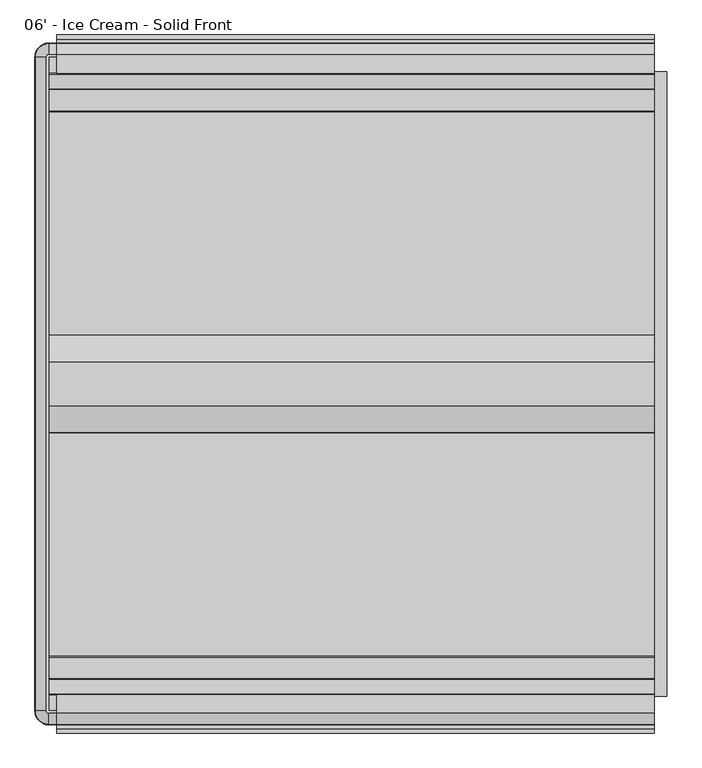
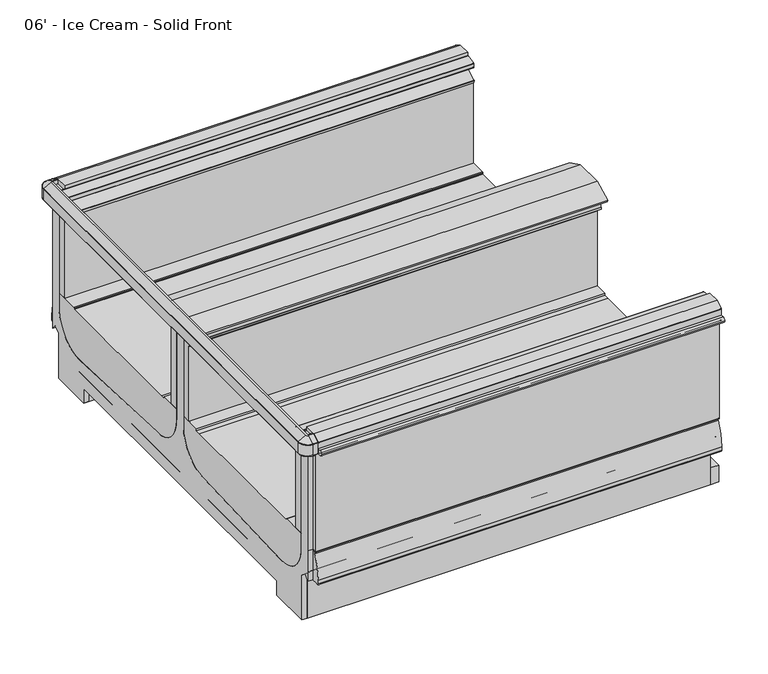
"""IFC4 building model written with IfcOpenShell, lengths in millimetres: proxy geometry, 06' - Ice Cream - Solid Front."""

from ifc_helpers import new_model, si_unit, point, frame, frame_2d, origin, origin_with_axes, place, context, project, spatial, polyline, circle_curve, ellipse_curve, trimmed, segment, composite_curve, outline, extrude, source, transform, mapped, element, save
from ifc_brep_helpers import plane_surface, cylinder_surface, revolved_surface, advanced_brep


def proxy_06_ice_cream_solid_front_5c60ced8(model_context):
    return source(origin(), model_context, "Body", "SolidModel", [
        extrude(outline(polyline([(-2377.8829734, 0.0), (-2409.6329734, 0.0), (-2409.6329734, 218.5762254), (-2377.8829734, 192.0044611), (-2377.8829734, 0.0)])), frame((0.0, 0.0, 0.0), z_axis=(1.0, 0.0, 0.0), x_axis=(0.0, 1.0, 0.0)), (0.0, 0.0, 1.0), 1828.8),
        extrude(outline(polyline([(1765.3, -582.4839273), (1541.6400723, -582.4839273), (1541.6400723, -531.6839273), (1765.3, -531.6839273), (1765.3, -582.4839273)])), frame((0.0, 0.0, -6.35), z_axis=(0.0, 0.0, 1.0), x_axis=(1.0, 0.0, 0.0)), (0.0, 0.0, 1.0), 6.35),
        extrude(outline(composite_curve([segment(trimmed(circle_curve(frame_2d((1625.6, -557.0839273)), 15.875), [point((1609.725, -557.0839273))], [point((1641.475, -557.0839273))], False, "CARTESIAN"), True, "CONTINUOUS"), segment(trimmed(circle_curve(frame_2d((1625.6, -557.0839273)), 15.875), [point((1641.475, -557.0839273))], [point((1609.725, -557.0839273))], False, "CARTESIAN"), True, "CONTINUOUS")], self_intersect=False)), frame((0.0, 0.0, -6.35), z_axis=(0.0, 0.0, 1.0), x_axis=(1.0, 0.0, 0.0)), (0.0, 0.0, 1.0), 6.35),
        extrude(outline(composite_curve([segment(trimmed(circle_curve(frame_2d((1676.4, -557.0839273)), 15.875), [point((1660.525, -557.0839273))], [point((1692.275, -557.0839273))], False, "CARTESIAN"), True, "CONTINUOUS"), segment(trimmed(circle_curve(frame_2d((1676.4, -557.0839273)), 15.875), [point((1692.275, -557.0839273))], [point((1660.525, -557.0839273))], False, "CARTESIAN"), True, "CONTINUOUS")], self_intersect=False)), frame((0.0, 0.0, -6.35), z_axis=(0.0, 0.0, 1.0), x_axis=(1.0, 0.0, 0.0)), (0.0, 0.0, 1.0), 6.35),
        extrude(outline(composite_curve([segment(trimmed(circle_curve(frame_2d((1727.2, -557.0839273)), 15.875), [point((1711.325, -557.0839273))], [point((1743.075, -557.0839273))], False, "CARTESIAN"), True, "CONTINUOUS"), segment(trimmed(circle_curve(frame_2d((1727.2, -557.0839273)), 15.875), [point((1743.075, -557.0839273))], [point((1711.325, -557.0839273))], False, "CARTESIAN"), True, "CONTINUOUS")], self_intersect=False)), frame((0.0, 0.0, -6.35), z_axis=(0.0, 0.0, 1.0), x_axis=(1.0, 0.0, 0.0)), (0.0, 0.0, 1.0), 6.35),
        extrude(outline(composite_curve([segment(trimmed(circle_curve(frame_2d((1574.8, -557.0839273)), 15.875), [point((1558.925, -557.0839273))], [point((1590.675, -557.0839273))], False, "CARTESIAN"), True, "CONTINUOUS"), segment(trimmed(circle_curve(frame_2d((1574.8, -557.0839273)), 15.875), [point((1590.675, -557.0839273))], [point((1558.925, -557.0839273))], False, "CARTESIAN"), True, "CONTINUOUS")], self_intersect=False)), frame((0.0, 0.0, -6.35), z_axis=(0.0, 0.0, 1.0), x_axis=(1.0, 0.0, 0.0)), (0.0, 0.0, 1.0), 6.35),
        extrude(outline(composite_curve([segment(trimmed(circle_curve(frame_2d((203.2, -2350.9589273)), 15.875), [point((219.075, -2350.9589273))], [point((187.325, -2350.9589273))], False, "CARTESIAN"), True, "CONTINUOUS"), segment(trimmed(circle_curve(frame_2d((203.2, -2350.9589273)), 15.875), [point((187.325, -2350.9589273))], [point((219.075, -2350.9589273))], False, "CARTESIAN"), True, "CONTINUOUS")], self_intersect=False)), frame((0.0, 0.0, -6.35), z_axis=(0.0, 0.0, 1.0), x_axis=(1.0, 0.0, 0.0)), (0.0, 0.0, 1.0), 6.35),
        extrude(outline(composite_curve([segment(trimmed(circle_curve(frame_2d((152.4, -2350.9589273)), 15.875), [point((168.275, -2350.9589273))], [point((136.525, -2350.9589273))], False, "CARTESIAN"), True, "CONTINUOUS"), segment(trimmed(circle_curve(frame_2d((152.4, -2350.9589273)), 15.875), [point((136.525, -2350.9589273))], [point((168.275, -2350.9589273))], False, "CARTESIAN"), True, "CONTINUOUS")], self_intersect=False)), frame((0.0, 0.0, -6.35), z_axis=(0.0, 0.0, 1.0), x_axis=(1.0, 0.0, 0.0)), (0.0, 0.0, 1.0), 6.35),
        extrude(outline(composite_curve([segment(trimmed(circle_curve(frame_2d((254.0, -2350.9589273)), 15.875), [point((269.875, -2350.9589273))], [point((238.125, -2350.9589273))], False, "CARTESIAN"), True, "CONTINUOUS"), segment(trimmed(circle_curve(frame_2d((254.0, -2350.9589273)), 15.875), [point((238.125, -2350.9589273))], [point((269.875, -2350.9589273))], False, "CARTESIAN"), True, "CONTINUOUS")], self_intersect=False)), frame((0.0, 0.0, -6.35), z_axis=(0.0, 0.0, 1.0), x_axis=(1.0, 0.0, 0.0)), (0.0, 0.0, 1.0), 6.35),
        extrude(outline(composite_curve([segment(trimmed(circle_curve(frame_2d((101.6, -2350.9589273)), 15.875), [point((117.475, -2350.9589273))], [point((85.725, -2350.9589273))], False, "CARTESIAN"), True, "CONTINUOUS"), segment(trimmed(circle_curve(frame_2d((101.6, -2350.9589273)), 15.875), [point((85.725, -2350.9589273))], [point((117.475, -2350.9589273))], False, "CARTESIAN"), True, "CONTINUOUS")], self_intersect=False)), frame((0.0, 0.0, -6.35), z_axis=(0.0, 0.0, 1.0), x_axis=(1.0, 0.0, 0.0)), (0.0, 0.0, 1.0), 6.35),
        extrude(outline(polyline([(69.85, -2325.5589273), (289.1439539, -2325.5589273), (289.1439539, -2376.3589273), (69.85, -2376.3589273), (69.85, -2325.5589273)])), frame((0.0, 0.0, -6.35), z_axis=(0.0, 0.0, 1.0), x_axis=(1.0, 0.0, 0.0)), (0.0, 0.0, 1.0), 6.35),
        extrude(outline(composite_curve([segment(polyline([(-445.8191812, 916.3995638), (-411.9355812, 896.8368583)]), True, "CONTINUOUS"), segment(trimmed(circle_curve(frame_2d((-412.9769812, 895.0331005)), 2.0828), [point((-411.9355812, 896.8368583))], [point((-410.8941812, 895.0331005))], False, "CARTESIAN"), True, "CONTINUOUS"), segment(polyline([(-410.8941812, 895.0331005), (-410.8941812, 842.2823638)]), True, "CONTINUOUS"), segment(trimmed(circle_curve(frame_2d((-412.9769812, 842.2823638)), 2.0828), [point((-410.8941812, 842.2823638))], [point((-412.9769812, 840.1995638))], False, "CARTESIAN"), True, "CONTINUOUS"), segment(polyline([(-412.9769812, 840.1995638), (-453.2686576, 840.1995638), (-453.2686576, 896.9698692), (-502.6537801, 896.9698692), (-502.6537801, 916.3995638), (-445.8191812, 916.3995638)]), True, "CONTINUOUS")], self_intersect=False)), frame((0.0, 0.0, 0.0), z_axis=(1.0, 0.0, 0.0), x_axis=(0.0, 1.0, 0.0)), (0.0, 0.0, 1.0), 1828.8),
        extrude(outline(composite_curve([segment(polyline([(-2462.2236734, 916.3995638), (-2405.3883698, 916.3995638), (-2405.3883698, 896.9698692), (-2454.774197, 896.9698692), (-2454.774197, 840.1995638), (-2495.0658734, 840.1995638)]), True, "CONTINUOUS"), segment(trimmed(circle_curve(frame_2d((-2495.0658734, 842.2823638)), 2.0828), [point((-2495.0658734, 840.1995638))], [point((-2497.1486734, 842.2823638))], False, "CARTESIAN"), True, "CONTINUOUS"), segment(polyline([(-2497.1486734, 842.2823638), (-2497.1486734, 895.0331005)]), True, "CONTINUOUS"), segment(trimmed(circle_curve(frame_2d((-2495.0658734, 895.0331005)), 2.0828), [point((-2497.1486734, 895.0331005))], [point((-2496.1072734, 896.8368583))], False, "CARTESIAN"), True, "CONTINUOUS"), segment(polyline([(-2496.1072734, 896.8368583), (-2462.2236734, 916.3995638)]), True, "CONTINUOUS")], self_intersect=False)), frame((0.0, 0.0, 0.0), z_axis=(1.0, 0.0, 0.0), x_axis=(0.0, 1.0, 0.0)), (0.0, 0.0, 1.0), 1828.8),
        extrude(outline(polyline([(1866.9, -498.4098812), (1866.9, -2409.6329734), (1828.8, -2409.6329734), (1828.8, -498.4098812), (1866.9, -498.4098812)])), origin_with_axes(), (0.0, 0.0, 1.0), 80.0346764),
        extrude(outline(composite_curve([segment(polyline([(-2454.774197, 212.6925638), (-2484.436449, 212.6925638), (-2484.436449, 210.1525638), (-2489.3644531, 210.1525638)]), True, "CONTINUOUS"), segment(trimmed(circle_curve(frame_2d((-2489.3644531, 218.3404259)), 8.1878621), [point((-2489.3644531, 210.1525638))], [point((-2497.5523152, 218.3404259))], False, "CARTESIAN"), True, "CONTINUOUS"), segment(polyline([(-2497.5523152, 218.3404259), (-2497.5523152, 235.3283913)]), True, "CONTINUOUS"), segment(trimmed(circle_curve(frame_2d((-2218.2798369, 226.8878416)), 279.4), [point((-2497.5523152, 235.3283913))], [point((-2470.719945, 346.6306987))], False, "CARTESIAN"), True, "CONTINUOUS"), segment(trimmed(circle_curve(frame_2d((-2459.2453946, 341.1878416)), 12.7), [point((-2470.719945, 346.6306987))], [point((-2459.036449, 353.8861226))], False, "CARTESIAN"), True, "CONTINUOUS"), segment(polyline([(-2459.036449, 353.8861226), (-2459.036449, 358.1075638), (-2454.774197, 358.1075638), (-2454.774197, 212.6925638)]), True, "CONTINUOUS")], self_intersect=False)), frame((0.0, 0.0, 0.0), z_axis=(1.0, 0.0, 0.0), x_axis=(0.0, 1.0, 0.0)), (0.0, 0.0, 1.0), 1828.8),
        extrude(outline(composite_curve([segment(polyline([(-453.2686576, 212.6925638), (-453.2686576, 358.1075638), (-449.0064056, 358.1075638), (-449.0064056, 353.8878416), (-439.8158479, 353.8878416)]), True, "CONTINUOUS"), segment(trimmed(circle_curve(frame_2d((-439.8158479, 341.1878416)), 12.7), [point((-439.8158479, 353.8878416))], [point((-428.3412975, 346.6306987))], False, "CARTESIAN"), True, "CONTINUOUS"), segment(trimmed(circle_curve(frame_2d((-680.7814056, 226.8878416)), 279.4), [point((-428.3412975, 346.6306987))], [point((-401.5089273, 235.3283913))], False, "CARTESIAN"), True, "CONTINUOUS"), segment(polyline([(-401.5089273, 235.3283913), (-401.5089273, 218.3404259)]), True, "CONTINUOUS"), segment(trimmed(circle_curve(frame_2d((-409.6967894, 218.3404259)), 8.1878621), [point((-401.5089273, 218.3404259))], [point((-409.6967894, 210.1525638))], False, "CARTESIAN"), True, "CONTINUOUS"), segment(polyline([(-409.6967894, 210.1525638), (-423.6064056, 210.1525638), (-423.6064056, 212.6925638), (-453.2686576, 212.6925638)]), True, "CONTINUOUS")], self_intersect=False)), frame((0.0, 0.0, 0.0), z_axis=(1.0, 0.0, 0.0), x_axis=(0.0, 1.0, 0.0)), (0.0, 0.0, 1.0), 1828.8),
        advanced_brep(
        [(-24.4402697, -2454.774197, 897.0258043), (-24.4402697, -2405.4351648, 897.0258043), (-24.4402697, -2405.4351648, 329.8307252), (-24.4402697, -2245.5061532, 189.514106), (-24.4402697, -1631.4536419, 211.922149), (-24.4402697, -1480.7855206, 364.3123081), (-24.4402697, -1480.7848159, 866.4774073), (-24.4402697, -1427.2580387, 866.4774073), (-24.4402697, -1427.2580387, 364.3123081), (-24.4402697, -1276.5892127, 211.922149), (-24.4402697, -662.5367014, 189.514106), (-24.4402697, -502.6076898, 329.8307252), (-24.4402697, -502.6076898, 413.6025156), (-24.4402697, -502.6076898, 897.0258043), (-24.4402697, -453.2686576, 897.0258043), (-24.4402697, -453.2686576, 358.1075638), (-24.4402697, -453.2686576, 212.7617767), (-24.4402697, -472.9537484, 236.2215544), (-24.4402697, -498.4098812, 214.8613228), (-24.4402697, -498.4098812, 0.0), (-24.4402697, -694.8002747, 0.0), (-24.4402697, -694.8001069, 67.8833987), (-24.4402697, -1454.0214273, 67.8834387), (-24.4402697, -2213.2427477, 67.8833987), (-24.4402697, -2213.2425799, 0.0), (-24.4402697, -2409.6329734, 0.0), (-24.4402697, -2409.6329734, 214.8613228), (-24.4402697, -2435.0891062, 236.2215544), (-24.4402697, -2454.774197, 212.7617767), (-24.4402697, -2454.774197, 358.1075638), (0.0, -2454.774197, 897.0258043), (0.0, -2454.774197, 358.1075638), (0.0, -2454.774197, 212.7617767), (0.0, -2435.0891062, 236.2215544), (0.0, -2409.6329734, 214.8613228), (0.0, -2409.6329734, 0.0), (0.0, -2213.2425799, 0.0), (0.0, -2213.2427477, 67.8833987), (0.0, -1454.0214273, 67.8834387), (0.0, -694.8001069, 67.8833987), (0.0, -694.8002747, 0.0), (0.0, -498.4098812, 0.0), (0.0, -498.4098812, 214.8613228), (0.0, -472.9537484, 236.2215544), (0.0, -453.2686576, 212.7617767), (0.0, -453.2686576, 358.1075638), (0.0, -453.2686576, 897.0258043), (0.0, -502.6076898, 897.0258043), (0.0, -502.6076898, 413.6025156), (0.0, -502.6076898, 329.8307252), (0.0, -662.5367014, 189.514106), (0.0, -1276.5892127, 211.922149), (0.0, -1427.257334, 364.3123081), (0.0, -1427.2580387, 866.4774073), (0.0, -1480.7848159, 866.4774073), (0.0, -1480.7848159, 364.3123081), (0.0, -1631.4536419, 211.922149), (0.0, -2245.5061532, 189.514106), (0.0, -2405.4351648, 329.8307252), (0.0, -2405.4351648, 897.0258043)],
        [
            (0, 1),
            (1, 2),
            (2, 3, circle_curve(frame((-24.4402697, -2254.7995855, 340.2213556), z_axis=(1.0, 0.0, 0.0), x_axis=(0.0, 1.0, 0.0)), 150.9935196)),
            (3, 4, circle_curve(frame((-24.4402697, -1492.4045203, -12023.1831731), z_axis=(-1.0, 0.0, 0.0), x_axis=(0.0, 1.0, 0.0)), 12235.8954271)),
            (4, 5, circle_curve(frame((-24.4402697, -1633.1855206, 364.3123081), z_axis=(1.0, 0.0, 0.0), x_axis=(0.0, 1.0, 0.0)), 152.4)),
            (5, 6),
            (6, 7),
            (7, 8),
            (8, 9, circle_curve(frame((-24.4402697, -1274.857334, 364.3123081), z_axis=(1.0, 0.0, 0.0), x_axis=(0.0, 1.0, 0.0)), 152.4)),
            (9, 10, circle_curve(frame((-24.4402697, -1415.6383343, -12023.1831731), z_axis=(-1.0, 0.0, 0.0), x_axis=(0.0, 1.0, 0.0)), 12235.8954271)),
            (10, 11, circle_curve(frame((-24.4402697, -653.2432691, 340.2213556), z_axis=(1.0, 0.0, 0.0), x_axis=(0.0, 1.0, 0.0)), 150.9935196)),
            (11, 12),
            (12, 13),
            (13, 14),
            (14, 15),
            (15, 16),
            (16, 17),
            (17, 18),
            (18, 19),
            (19, 20),
            (20, 21),
            (21, 22),
            (22, 23),
            (23, 24),
            (24, 25),
            (25, 26),
            (26, 27),
            (27, 28),
            (28, 29),
            (29, 0),
            (30, 31),
            (31, 32),
            (32, 33),
            (33, 34),
            (34, 35),
            (35, 36),
            (36, 37),
            (37, 38),
            (38, 39),
            (39, 40),
            (40, 41),
            (41, 42),
            (42, 43),
            (43, 44),
            (44, 45),
            (45, 46),
            (46, 47),
            (47, 48),
            (48, 49),
            (49, 50, circle_curve(frame((0.0, -653.2432691, 340.2213556), z_axis=(-1.0, 0.0, 0.0), x_axis=(0.0, 1.0, 0.0)), 150.9935196)),
            (50, 51, circle_curve(frame((0.0, -1415.6383343, -12023.1831731), z_axis=(1.0, 0.0, 0.0), x_axis=(0.0, 1.0, 0.0)), 12235.8954271)),
            (51, 52, circle_curve(frame((0.0, -1274.857334, 364.3123081), z_axis=(-1.0, 0.0, 0.0), x_axis=(0.0, 1.0, 0.0)), 152.4)),
            (52, 53),
            (53, 54),
            (54, 55),
            (55, 56, circle_curve(frame((0.0, -1633.1855206, 364.3123081), z_axis=(-1.0, 0.0, 0.0), x_axis=(0.0, 1.0, 0.0)), 152.4)),
            (56, 57, circle_curve(frame((0.0, -1492.4045203, -12023.1831731), z_axis=(1.0, 0.0, 0.0), x_axis=(0.0, 1.0, 0.0)), 12235.8954271)),
            (57, 58, circle_curve(frame((0.0, -2254.7995855, 340.2213556), z_axis=(-1.0, 0.0, 0.0), x_axis=(0.0, 1.0, 0.0)), 150.9935196)),
            (58, 59),
            (59, 30),
            (59, 1),
            (0, 30),
            (29, 31),
            (28, 32),
            (45, 15),
            (14, 46),
            (13, 47),
            (42, 18),
            (17, 43),
            (16, 44),
            (27, 33),
            (26, 34),
            (12, 48),
            (11, 49),
            (10, 50),
            (9, 51),
            (8, 52),
            (7, 53),
            (6, 54),
            (5, 55),
            (4, 56),
            (3, 57),
            (2, 58),
            (25, 35),
            (24, 36),
            (23, 37),
            (22, 38),
            (21, 39),
            (20, 40),
            (19, 41),
        ],
        [
            plane_surface(frame((-24.4402697, -2454.774197, 358.1075638), z_axis=(-1.0, 0.0, 0.0), x_axis=(0.0, 0.0, 1.0))),
            plane_surface(frame((0.0, -2454.774197, 358.1075638), z_axis=(1.0, 0.0, 0.0), x_axis=(0.0, 0.0, -1.0))),
            plane_surface(frame((0.0, -2405.4351648, 897.0258043), z_axis=(0.0, 0.0, 1.0), x_axis=(-1.0, 0.0, 0.0))),
            plane_surface(frame((0.0, -2454.774197, 897.0258043), z_axis=(0.0, -1.0, 0.0), x_axis=(-1.0, 0.0, 0.0))),
            plane_surface(frame((0.0, -2454.774197, 358.1075638), z_axis=(0.0, -1.0, 0.0), x_axis=(-1.0, 0.0, 0.0))),
            plane_surface(frame((0.0, -453.2686576, 358.1075638), z_axis=(0.0, 1.0, 0.0), x_axis=(-1.0, 0.0, 0.0))),
            plane_surface(frame((0.0, -453.2686576, 897.0258043), z_axis=(0.0, 0.0, 1.0), x_axis=(-1.0, 0.0, 0.0))),
            plane_surface(frame((0.0, -498.4098812, 214.8613228), z_axis=(0.0, 0.6427876097064538, -0.7660444431022678), x_axis=(-1.0, 0.0, 0.0))),
            plane_surface(frame((0.0, -472.9537484, 236.2215544), z_axis=(0.0, -0.7660444431084633, -0.6427876096990705), x_axis=(-1.0, 0.0, 0.0))),
            plane_surface(frame((0.0, -453.2686576, 212.7617767), z_axis=(0.0, 1.0, 3.1216682375061996e-12), x_axis=(-1.0, 0.0, 0.0))),
            plane_surface(frame((0.0, -2454.774197, 212.7617767), z_axis=(0.0, 0.7660444431333294, -0.6427876096694362), x_axis=(-1.0, 0.0, 0.0))),
            plane_surface(frame((0.0, -2435.0891062, 236.2215544), z_axis=(0.0, -0.6427876097190367, -0.7660444430917096), x_axis=(-1.0, 0.0, 0.0))),
            plane_surface(frame((0.0, -502.6076898, 897.0258043), z_axis=(0.0, -1.0, 0.0), x_axis=(-1.0, 0.0, 0.0))),
            plane_surface(frame((0.0, -502.6076898, 413.6025156), z_axis=(0.0, -1.0, 0.0), x_axis=(-1.0, 0.0, 0.0))),
            revolved_surface(polyline([(-24.4402697, -502.2497495, 340.2213556), (0.0, -502.2497495, 340.2213556)]), (-24.4402697, -653.2432691, 340.2213556), (-1.0, 0.0, 0.0)),
            cylinder_surface(frame((-24.4402697, -1415.6383343, -12023.1831731), z_axis=(1.0, 0.0, 0.0), x_axis=(0.0, 1.0, 0.0)), 12235.8954271),
            revolved_surface(polyline([(-24.4402697, -1122.457334, 364.3123081), (0.0, -1122.457334, 364.3123081)]), (-24.4402697, -1274.857334, 364.3123081), (-1.0, 0.0, 0.0)),
            plane_surface(frame((0.0, -1427.2580387, 364.3123081), z_axis=(0.0, 1.0, 0.0), x_axis=(-1.0, 0.0, 0.0))),
            plane_surface(frame((0.0, -1427.2580387, 866.4774073), z_axis=(0.0, 0.0, 1.0), x_axis=(-1.0, 0.0, 0.0))),
            plane_surface(frame((0.0, -1480.7848159, 866.4774073), z_axis=(0.0, -1.0, 0.0), x_axis=(-1.0, 0.0, 0.0))),
            revolved_surface(polyline([(-24.4402697, -1480.7855206, 364.3123081), (0.0, -1480.7855206, 364.3123081)]), (-24.4402697, -1633.1855206, 364.3123081), (-1.0, 0.0, 0.0)),
            cylinder_surface(frame((-24.4402697, -1492.4045203, -12023.1831731), z_axis=(1.0, 0.0, 0.0), x_axis=(0.0, 1.0, 0.0)), 12235.8954271),
            revolved_surface(polyline([(-24.4402697, -2103.8060659, 340.2213556), (0.0, -2103.8060659, 340.2213556)]), (-24.4402697, -2254.7995855, 340.2213556), (-1.0, 0.0, 0.0)),
            plane_surface(frame((0.0, -2405.4351648, 329.8307252), z_axis=(0.0, 1.0, 0.0), x_axis=(-1.0, 0.0, 0.0))),
            plane_surface(frame((0.0, -2409.6329734, 214.8613228), z_axis=(0.0, -1.0, 0.0), x_axis=(-1.0, 0.0, 0.0))),
            plane_surface(frame((0.0, -2409.6329734, 0.0), z_axis=(0.0, 0.0, -1.0), x_axis=(-1.0, 0.0, 0.0))),
            plane_surface(frame((0.0, -2213.2425799, 0.0), z_axis=(0.0, 0.9999999999969436, 2.472444991820878e-06), x_axis=(-1.0, 0.0, 0.0))),
            plane_surface(frame((0.0, -2213.2427477, 67.8833987), z_axis=(0.0, 5.271826472873997e-08, -0.9999999999999987), x_axis=(-1.0, 0.0, 0.0))),
            plane_surface(frame((0.0, -1454.0214273, 67.8834387), z_axis=(0.0, -5.271826471759711e-08, -0.9999999999999987), x_axis=(-1.0, 0.0, 0.0))),
            plane_surface(frame((0.0, -694.8001069, 67.8833987), z_axis=(0.0, -0.9999999999969436, 2.472444991820454e-06), x_axis=(-1.0, 0.0, 0.0))),
            plane_surface(frame((0.0, -694.8002747, 0.0), z_axis=(0.0, 0.0, -1.0), x_axis=(-1.0, 0.0, 0.0))),
            plane_surface(frame((0.0, -498.4098812, 0.0), z_axis=(0.0, 1.0, 0.0), x_axis=(-1.0, 0.0, 0.0))),
        ],
        [
            (0, [[1, 2, 3, 4, 5, 6, 7, 8, 9, 10, 11, 12, 13, 14, 15, 16, 17, 18, 19, 20, 21, 22, 23, 24, 25, 26, 27, 28, 29, 30]]),
            (1, [[31, 32, 33, 34, 35, 36, 37, 38, 39, 40, 41, 42, 43, 44, 45, 46, 47, 48, 49, 50, 51, 52, 53, 54, 55, 56, 57, 58, 59, 60]]),
            (2, [[-60, 61, -1, 62]]),
            (3, [[-31, -62, -30, 63]]),
            (4, [[-32, -63, -29, 64]]),
            (5, [[-46, 65, -15, 66]]),
            (6, [[-47, -66, -14, 67]]),
            (7, [[-43, 68, -18, 69]]),
            (8, [[-44, -69, -17, 70]]),
            (9, [[-45, -70, -16, -65]]),
            (10, [[-33, -64, -28, 71]]),
            (11, [[-34, -71, -27, 72]]),
            (12, [[-48, -67, -13, 73]]),
            (13, [[-49, -73, -12, 74]]),
            (14, [[-50, -74, -11, 75]]),
            (15, [[-51, -75, -10, 76]]),
            (16, [[-52, -76, -9, 77]]),
            (17, [[-53, -77, -8, 78]]),
            (18, [[-54, -78, -7, 79]]),
            (19, [[-55, -79, -6, 80]]),
            (20, [[-56, -80, -5, 81]]),
            (21, [[-57, -81, -4, 82]]),
            (22, [[-58, -82, -3, 83]]),
            (23, [[-59, -83, -2, -61]]),
            (24, [[-35, -72, -26, 84]]),
            (25, [[-36, -84, -25, 85]]),
            (26, [[-37, -85, -24, 86]]),
            (27, [[-38, -86, -23, 87]]),
            (28, [[-39, -87, -22, 88]]),
            (29, [[-40, -88, -21, 89]]),
            (30, [[-41, -89, -20, 90]]),
            (31, [[-42, -90, -19, -68]]),
        ],
    ),
        extrude(outline(polyline([(-2247.3548736, 0.0), (-2409.6329734, 0.0), (-2409.6329734, 214.8613228), (-2435.0891062, 236.2215544), (-2454.774197, 212.7617767), (-2454.774197, 256.3551845), (-2304.8796168, 130.9075167), (-2247.3551153, 130.9023907), (-2247.3548736, 0.0)])), frame((0.0, 0.0, 0.0), z_axis=(1.0, 0.0, 0.0), x_axis=(0.0, 1.0, 0.0)), (0.0, 0.0, 1.0), 1828.8),
        extrude(outline(polyline([(-660.687981, 0.0), (-660.6877393, 130.9023907), (-603.1632378, 130.9075167), (-498.4098812, 218.5762254), (-498.4098812, 0.0), (-660.687981, 0.0)])), frame((0.0, 0.0, 0.0), z_axis=(1.0, 0.0, 0.0), x_axis=(0.0, 1.0, 0.0)), (0.0, 0.0, 1.0), 1828.8),
        extrude(outline(composite_curve([segment(polyline([(-453.2686576, 840.1995638), (-429.7663812, 840.1995638), (-429.7663812, 359.6315638)]), True, "CONTINUOUS"), segment(trimmed(circle_curve(frame_2d((-431.2903812, 359.6315638)), 1.524), [point((-429.7663812, 359.6315638))], [point((-431.2903812, 358.1075638))], False, "CARTESIAN"), True, "CONTINUOUS"), segment(polyline([(-431.2903812, 358.1075638), (-453.2686576, 358.1075638), (-453.2686576, 840.1995638)]), True, "CONTINUOUS")], self_intersect=False)), frame((0.0, 0.0, 0.0), z_axis=(1.0, 0.0, 0.0), x_axis=(0.0, 1.0, 0.0)), (0.0, 0.0, 1.0), 1828.8),
        extrude(outline(composite_curve([segment(polyline([(-2454.774197, 840.1995638), (-2454.774197, 358.1075638), (-2476.7524734, 358.1075638)]), True, "CONTINUOUS"), segment(trimmed(circle_curve(frame_2d((-2476.7524734, 359.6315638)), 1.524), [point((-2476.7524734, 358.1075638))], [point((-2478.2764734, 359.6315638))], False, "CARTESIAN"), True, "CONTINUOUS"), segment(polyline([(-2478.2764734, 359.6315638), (-2478.2764734, 840.1995638), (-2454.774197, 840.1995638)]), True, "CONTINUOUS")], self_intersect=False)), frame((0.0, 0.0, 0.0), z_axis=(1.0, 0.0, 0.0), x_axis=(0.0, 1.0, 0.0)), (0.0, 0.0, 1.0), 1828.8),
        extrude(outline(composite_curve([segment(polyline([(-2497.1486734, 866.4774073), (-2497.1486734, 841.0774073), (-2509.5631602, 841.0774073)]), True, "CONTINUOUS"), segment(trimmed(circle_curve(frame_2d((-2509.5631602, 853.7774073)), 12.7), [point((-2509.5631602, 841.0774073))], [point((-2522.2631602, 853.7774073))], False, "CARTESIAN"), True, "CONTINUOUS"), segment(trimmed(circle_curve(frame_2d((-2509.5631602, 853.7774073)), 12.7), [point((-2522.2631602, 853.7774073))], [point((-2509.5631602, 866.4774073))], False, "CARTESIAN"), True, "CONTINUOUS"), segment(polyline([(-2509.5631602, 866.4774073), (-2497.1486734, 866.4774073)]), True, "CONTINUOUS")], self_intersect=False)), frame((0.0, 0.0, 0.0), z_axis=(1.0, 0.0, 0.0), x_axis=(0.0, 1.0, 0.0)), (0.0, 0.0, 1.0), 1828.8),
        extrude(outline(composite_curve([segment(polyline([(-410.8941812, 866.4774073), (-398.4796944, 866.4774073)]), True, "CONTINUOUS"), segment(trimmed(circle_curve(frame_2d((-398.4796944, 853.7774073)), 12.7), [point((-398.4796944, 866.4774073))], [point((-385.7796944, 853.7774073))], False, "CARTESIAN"), True, "CONTINUOUS"), segment(trimmed(circle_curve(frame_2d((-398.4796944, 853.7774073)), 12.7), [point((-385.7796944, 853.7774073))], [point((-398.4796944, 841.0774073))], False, "CARTESIAN"), True, "CONTINUOUS"), segment(polyline([(-398.4796944, 841.0774073), (-410.8941812, 841.0774073), (-410.8941812, 866.4774073)]), True, "CONTINUOUS")], self_intersect=False)), frame((0.0, 0.0, 0.0), z_axis=(1.0, 0.0, 0.0), x_axis=(0.0, 1.0, 0.0)), (0.0, 0.0, 1.0), 1828.8),
        extrude(outline(polyline([(1828.8, -1527.311562), (1828.8, -1549.536562), (0.0, -1549.536562), (0.0, -1527.311562), (1828.8, -1527.311562)])), frame((0.0, 0.0, 802.4445616), z_axis=(0.0, 0.0, 1.0), x_axis=(1.0, 0.0, 0.0)), (0.0, 0.0, 1.0), 76.2),
        extrude(outline(polyline([(1828.8, -1358.5062926), (1828.8, -1380.7312926), (0.0, -1380.7312926), (0.0, -1358.5062926), (1828.8, -1358.5062926)])), frame((0.0, 0.0, 802.4445616), z_axis=(0.0, 0.0, 1.0), x_axis=(1.0, 0.0, 0.0)), (0.0, 0.0, 1.0), 76.2),
        extrude(outline(composite_curve([segment(polyline([(-1551.071886, 800.8570616), (-1551.071886, 808.7945616), (-1549.536562, 808.7945616), (-1549.536562, 802.4445616), (-1527.311562, 802.4445616), (-1527.311562, 866.3043859), (-1480.7848159, 866.3043859), (-1480.7848159, 415.2220813), (-1522.6087322, 415.2325275), (-1522.6087322, 775.2893206)]), True, "CONTINUOUS"), segment(trimmed(circle_curve(frame_2d((-1522.2729918, 776.2117598)), 0.9816393), [point((-1522.6087322, 775.2893206))], [point((-1523.2546312, 776.2117598))], False, "CARTESIAN"), True, "CONTINUOUS"), segment(polyline([(-1523.2546312, 776.2117598), (-1523.2546312, 800.8570616), (-1551.071886, 800.8570616)]), True, "CONTINUOUS")], self_intersect=False)), frame((-24.4402697, 0.0, 0.0), z_axis=(1.0, 0.0, 0.0), x_axis=(0.0, 1.0, 0.0)), (0.0, 0.0, 1.0), 1853.2402697),
        extrude(outline(composite_curve([segment(polyline([(-1356.9709686, 800.8570616), (-1384.7882234, 800.8570616), (-1384.7882234, 776.2117598)]), True, "CONTINUOUS"), segment(trimmed(circle_curve(frame_2d((-1385.7698628, 776.2117598)), 0.9816393), [point((-1384.7882234, 776.2117598))], [point((-1385.4341224, 775.2893206))], False, "CARTESIAN"), True, "CONTINUOUS"), segment(polyline([(-1385.4341224, 775.2893206), (-1385.4341224, 415.2325275), (-1427.2580387, 415.2220813), (-1427.2580387, 866.3043859), (-1380.7312926, 866.3043859), (-1380.7312926, 802.4445616), (-1358.5062926, 802.4445616), (-1358.5062926, 808.7945616), (-1356.9709686, 808.7945616), (-1356.9709686, 800.8570616)]), True, "CONTINUOUS")], self_intersect=False)), frame((-24.4402697, 0.0, 0.0), z_axis=(1.0, 0.0, 0.0), x_axis=(0.0, 1.0, 0.0)), (0.0, 0.0, 1.0), 1853.2402697),
        extrude(outline(polyline([(-1387.836481, 914.8138293), (-1305.5925722, 875.4929407), (-1309.5700998, 864.574991), (-1312.0395874, 864.7344073), (-1358.5062926, 864.7344073), (-1358.5062926, 878.6445616), (-1380.7312926, 878.6445616), (-1380.7312926, 866.3043859), (-1527.311562, 866.3043859), (-1527.311562, 878.6445616), (-1549.536562, 878.6445616), (-1549.536562, 864.7344073), (-1596.0032672, 864.7344073), (-1598.4727548, 864.574991), (-1602.4502824, 875.4929407), (-1520.2063736, 914.8138293), (-1387.836481, 914.8138293)])), frame((-24.4402697, 0.0, 0.0), z_axis=(1.0, 0.0, 0.0), x_axis=(0.0, 1.0, 0.0)), (0.0, 0.0, 1.0), 1853.2402697),
        extrude(outline(composite_curve([segment(polyline([(-502.6076898, 413.6025156), (-547.7105983, 413.6025156), (-547.7105983, 799.5951356), (-549.2980983, 799.5951356), (-552.5851001, 811.8623936)]), True, "CONTINUOUS"), segment(trimmed(circle_curve(frame_2d((-550.6959424, 812.3685918)), 1.9558), [point((-552.5851001, 811.8623936))], [point((-551.6738424, 814.0623643))], False, "CARTESIAN"), True, "CONTINUOUS"), segment(polyline([(-551.6738424, 814.0623643), (-507.7817983, 839.4034478)]), True, "CONTINUOUS"), segment(trimmed(circle_curve(frame_2d((-506.8038983, 837.7096753)), 1.9558), [point((-507.7817983, 839.4034478))], [point((-504.8480983, 837.7096753))], False, "CARTESIAN"), True, "CONTINUOUS"), segment(polyline([(-504.8480983, 837.7096753), (-504.8480983, 846.7803598)]), True, "CONTINUOUS"), segment(trimmed(circle_curve(frame_2d((-505.6354983, 846.7803598)), 0.7874), [point((-504.8480983, 846.7803598))], [point((-505.2464442, 847.4649295))], True, "CARTESIAN"), True, "CONTINUOUS"), segment(polyline([(-505.2464442, 847.4649295), (-550.9785754, 873.4553778)]), True, "CONTINUOUS"), segment(trimmed(circle_curve(frame_2d((-550.2255675, 874.7803514)), 1.524), [point((-550.9785754, 873.4553778))], [point((-551.7495675, 874.7803514))], False, "CARTESIAN"), True, "CONTINUOUS"), segment(polyline([(-551.7495675, 874.7803514), (-551.7495675, 892.7114623)]), True, "CONTINUOUS"), segment(trimmed(circle_curve(frame_2d((-550.2255675, 892.7114623)), 1.524), [point((-551.7495675, 892.7114623))], [point((-550.4902073, 894.2123093))], False, "CARTESIAN"), True, "CONTINUOUS"), segment(polyline([(-550.4902073, 894.2123093), (-505.4987677, 902.1455141), (-502.6076898, 902.1455141), (-502.6076898, 413.6025156)]), True, "CONTINUOUS")], self_intersect=False)), frame((-24.4402697, 0.0, 0.0), z_axis=(1.0, 0.0, 0.0), x_axis=(0.0, 1.0, 0.0)), (0.0, 0.0, 1.0), 1853.2402697),
        extrude(outline(composite_curve([segment(polyline([(-2405.4351648, 413.6025156), (-2405.4351648, 902.1455141), (-2402.5440869, 902.1455141), (-2357.5526473, 894.2123093)]), True, "CONTINUOUS"), segment(trimmed(circle_curve(frame_2d((-2357.8172871, 892.7114623)), 1.524), [point((-2357.5526473, 894.2123093))], [point((-2356.2932871, 892.7114623))], False, "CARTESIAN"), True, "CONTINUOUS"), segment(polyline([(-2356.2932871, 892.7114623), (-2356.2932871, 874.7803514)]), True, "CONTINUOUS"), segment(trimmed(circle_curve(frame_2d((-2357.8172871, 874.7803514)), 1.524), [point((-2356.2932871, 874.7803514))], [point((-2357.0642791, 873.4553778))], False, "CARTESIAN"), True, "CONTINUOUS"), segment(polyline([(-2357.0642791, 873.4553778), (-2402.7964104, 847.4649295)]), True, "CONTINUOUS"), segment(trimmed(circle_curve(frame_2d((-2402.4073563, 846.7803598)), 0.7874), [point((-2402.7964104, 847.4649295))], [point((-2403.1947563, 846.7803598))], True, "CARTESIAN"), True, "CONTINUOUS"), segment(polyline([(-2403.1947563, 846.7803598), (-2403.1947563, 837.7096753)]), True, "CONTINUOUS"), segment(trimmed(circle_curve(frame_2d((-2401.2389563, 837.7096753)), 1.9558), [point((-2403.1947563, 837.7096753))], [point((-2400.2610563, 839.4034478))], False, "CARTESIAN"), True, "CONTINUOUS"), segment(polyline([(-2400.2610563, 839.4034478), (-2356.3690122, 814.0623643)]), True, "CONTINUOUS"), segment(trimmed(circle_curve(frame_2d((-2357.3469122, 812.3685918)), 1.9558), [point((-2356.3690122, 814.0623643))], [point((-2355.4577545, 811.8623936))], False, "CARTESIAN"), True, "CONTINUOUS"), segment(polyline([(-2355.4577545, 811.8623936), (-2358.7447563, 799.5951356), (-2360.3322563, 799.5951356), (-2360.3322563, 413.6025156), (-2405.4351648, 413.6025156)]), True, "CONTINUOUS")], self_intersect=False)), frame((-24.4402697, 0.0, 0.0), z_axis=(1.0, 0.0, 0.0), x_axis=(0.0, 1.0, 0.0)), (0.0, 0.0, 1.0), 1853.2402697),
        extrude(outline(composite_curve([segment(trimmed(circle_curve(frame_2d((-653.2432691, 340.2213556)), 150.9935196), [point((-502.6076898, 329.8307252))], [point((-662.5367014, 189.514106))], False, "CARTESIAN"), True, "CONTINUOUS"), segment(trimmed(circle_curve(frame_2d((-1415.6383343, -12023.1831731)), 12235.8954271), [point((-662.5367014, 189.514106))], [point((-1276.5892127, 211.922149))], True, "CARTESIAN"), True, "CONTINUOUS"), segment(trimmed(circle_curve(frame_2d((-1274.857334, 364.3123081)), 152.4), [point((-1276.5892127, 211.922149))], [point((-1427.257334, 364.3123081))], False, "CARTESIAN"), True, "CONTINUOUS"), segment(polyline([(-1427.257334, 364.3123081), (-1427.257334, 415.2220814), (-1327.4861855, 415.247001), (-1327.4836218, 404.9827495), (-1304.411668, 404.9827495), (-621.5663814, 405.1887649)]), True, "CONTINUOUS"), segment(trimmed(circle_curve(frame_2d((-621.5666848, 406.1943748)), 1.0056099), [point((-621.5663814, 405.1887649))], [point((-620.5610749, 406.1943748))], True, "CARTESIAN"), True, "CONTINUOUS"), segment(polyline([(-620.5610749, 406.1943748), (-620.5610749, 410.7761577)]), True, "CONTINUOUS"), segment(trimmed(circle_curve(frame_2d((-617.734717, 410.7761577)), 2.8263579), [point((-620.5610749, 410.7761577))], [point((-617.734717, 413.6025156))], False, "CARTESIAN"), True, "CONTINUOUS"), segment(polyline([(-617.734717, 413.6025156), (-502.6076898, 413.6025156), (-502.6076898, 329.8307252)]), True, "CONTINUOUS")], self_intersect=False)), frame((-24.4402697, 0.0, 0.0), z_axis=(1.0, 0.0, 0.0), x_axis=(0.0, 1.0, 0.0)), (0.0, 0.0, 1.0), 1853.2402697),
        extrude(outline(composite_curve([segment(polyline([(-2405.4351648, 329.8307252), (-2405.4351648, 413.6025156), (-2290.3081376, 413.6025156)]), True, "CONTINUOUS"), segment(trimmed(circle_curve(frame_2d((-2290.3081376, 410.7761577)), 2.8263579), [point((-2290.3081376, 413.6025156))], [point((-2287.4817797, 410.7761577))], False, "CARTESIAN"), True, "CONTINUOUS"), segment(polyline([(-2287.4817797, 410.7761577), (-2287.4817797, 406.1943748)]), True, "CONTINUOUS"), segment(trimmed(circle_curve(frame_2d((-2286.4761698, 406.1943748)), 1.0056099), [point((-2287.4817797, 406.1943748))], [point((-2286.4764732, 405.1887649))], True, "CARTESIAN"), True, "CONTINUOUS"), segment(polyline([(-2286.4764732, 405.1887649), (-1603.6311866, 404.9827495), (-1580.5592328, 404.9827495), (-1580.5566691, 415.247001), (-1480.7855206, 415.2220814), (-1480.7855206, 364.3123081)]), True, "CONTINUOUS"), segment(trimmed(circle_curve(frame_2d((-1633.1855206, 364.3123081)), 152.4), [point((-1480.7855206, 364.3123081))], [point((-1631.4536419, 211.922149))], False, "CARTESIAN"), True, "CONTINUOUS"), segment(trimmed(circle_curve(frame_2d((-1492.4045203, -12023.1831731)), 12235.8954271), [point((-1631.4536419, 211.922149))], [point((-2245.5061532, 189.514106))], True, "CARTESIAN"), True, "CONTINUOUS"), segment(trimmed(circle_curve(frame_2d((-2254.7995855, 340.2213556)), 150.9935196), [point((-2245.5061532, 189.514106))], [point((-2405.4351648, 329.8307252))], False, "CARTESIAN"), True, "CONTINUOUS")], self_intersect=False)), frame((-24.4402697, 0.0, 0.0), z_axis=(1.0, 0.0, 0.0), x_axis=(0.0, 1.0, 0.0)), (0.0, 0.0, 1.0), 1853.2402697),
        extrude(outline(composite_curve([segment(polyline([(-453.2679529, 897.0258043), (-453.2679529, 256.3551845), (-603.1625331, 130.9075167), (-2304.8796168, 130.9075167), (-2454.774197, 256.3551845), (-2454.774197, 897.0258043), (-2405.4344601, 897.0258043), (-2405.4344601, 329.8307252)]), True, "CONTINUOUS"), segment(trimmed(circle_curve(frame_2d((-2254.7988808, 340.2213556)), 150.9935196), [point((-2405.4344601, 329.8307252))], [point((-2245.5054485, 189.514106))], True, "CARTESIAN"), True, "CONTINUOUS"), segment(trimmed(circle_curve(frame_2d((-1492.4038157, -12023.1831731)), 12235.8954271), [point((-2245.5054485, 189.514106))], [point((-1631.4529372, 211.922149))], False, "CARTESIAN"), True, "CONTINUOUS"), segment(trimmed(circle_curve(frame_2d((-1633.1848159, 364.3123081)), 152.4), [point((-1631.4529372, 211.922149))], [point((-1480.7848159, 364.3123081))], True, "CARTESIAN"), True, "CONTINUOUS"), segment(polyline([(-1480.7848159, 364.3123081), (-1480.7848159, 866.3043859), (-1427.257334, 866.3043859), (-1427.257334, 364.3123081)]), True, "CONTINUOUS"), segment(trimmed(circle_curve(frame_2d((-1274.857334, 364.3123081)), 152.4), [point((-1427.257334, 364.3123081))], [point((-1276.5892127, 211.922149))], True, "CARTESIAN"), True, "CONTINUOUS"), segment(trimmed(circle_curve(frame_2d((-1415.6383343, -12023.1831731)), 12235.8954271), [point((-1276.5892127, 211.922149))], [point((-662.5367014, 189.514106))], False, "CARTESIAN"), True, "CONTINUOUS"), segment(trimmed(circle_curve(frame_2d((-653.2432691, 340.2213556)), 150.9935196), [point((-662.5367014, 189.514106))], [point((-502.6076898, 329.8307252))], True, "CARTESIAN"), True, "CONTINUOUS"), segment(polyline([(-502.6076898, 329.8307252), (-502.6076898, 897.0258043), (-453.2679529, 897.0258043)]), True, "CONTINUOUS")], self_intersect=False)), frame((0.0, 0.0, 0.0), z_axis=(1.0, 0.0, 0.0), x_axis=(0.0, 1.0, 0.0)), (0.0, 0.0, 1.0), 1828.8),
        extrude(outline(polyline([(-660.687981, 0.0), (-694.8001491, 0.0), (-694.7998808, 108.5179371), (-2213.2429738, 108.517857), (-2213.2427055, 0.0), (-2247.3548736, 0.0), (-2247.3551153, 130.9023907), (-660.6877393, 130.9023907), (-660.687981, 0.0)])), frame((-24.4402697, 0.0, 0.0), z_axis=(1.0, 0.0, 0.0), x_axis=(0.0, 1.0, 0.0)), (0.0, 0.0, 1.0), 1853.2402697),
        advanced_brep(
        [(0.0, -2462.2236734, 916.3995638), (0.0, -2496.1072734, 896.8368583), (0.0, -2497.1486734, 895.0331005), (0.0, -2497.1486734, 842.2823638), (0.0, -2495.0658734, 840.1995638), (0.0, -2454.774197, 840.1995638), (0.0, -2454.774197, 916.3995638), (0.0, -445.8191812, 916.3995638), (0.0, -453.2686576, 916.3995638), (0.0, -453.2686576, 840.1995638), (0.0, -412.9769812, 840.1995638), (0.0, -410.8941812, 842.2823638), (0.0, -410.8941812, 895.0331005), (0.0, -411.9355812, 896.8368583), (-23.8125, -2462.2236734, 916.3995638), (-23.8125, -2496.1072734, 896.8368583), (-23.8125, -2497.1486734, 895.0331005), (-23.8125, -2497.1486734, 842.2823638), (-23.8125, -2495.0658734, 840.1995638), (-64.7319461, -2454.1464273, 840.1995638), (-64.7319461, -453.8964273, 840.1995638), (-23.8125, -412.9769812, 840.1995638), (-23.8125, -453.2686576, 840.1995638), (-24.4402697, -453.8964273, 840.1995638), (-24.4402697, -2454.1464273, 840.1995638), (-23.8125, -2454.774197, 840.1995638), (-23.8125, -2454.774197, 916.3995638), (-24.4402697, -2454.1464273, 916.3995638), (-24.4402697, -453.8964273, 916.3995638), (-23.8125, -453.2686576, 916.3995638), (-23.8125, -445.8191812, 916.3995638), (-31.8897461, -453.8964273, 916.3995638), (-31.8897461, -2454.1464273, 916.3995638), (-65.7733461, -2454.1464273, 896.8368583), (-66.8147461, -2454.1464273, 895.0331005), (-66.8147461, -2454.1464273, 842.2823638), (-65.7733461, -453.8964273, 896.8368583), (-66.8147461, -453.8964273, 895.0331005), (-66.8147461, -453.8964273, 842.2823638), (-23.8125, -411.9355812, 896.8368583), (-23.8125, -410.8941812, 895.0331005), (-23.8125, -410.8941812, 842.2823638)],
        [
            (0, 1),
            (1, 2, circle_curve(frame((0.0, -2495.0658734, 895.0331005), z_axis=(1.0, 0.0, 0.0), x_axis=(0.0, -1.0, 0.0)), 2.0828)),
            (2, 3),
            (3, 4, circle_curve(frame((0.0, -2495.0658734, 842.2823638), z_axis=(1.0, 0.0, 0.0), x_axis=(0.0, -1.0, 0.0)), 2.0828)),
            (4, 5),
            (5, 6),
            (6, 0),
            (7, 8),
            (8, 9),
            (9, 10),
            (10, 11, circle_curve(frame((0.0, -412.9769812, 842.2823638), z_axis=(1.0, 0.0, 0.0), x_axis=(0.0, 1.0, 0.0)), 2.0828)),
            (11, 12),
            (12, 13, circle_curve(frame((0.0, -412.9769812, 895.0331005), z_axis=(1.0, 0.0, 0.0), x_axis=(0.0, 1.0, 0.0)), 2.0828)),
            (13, 7),
            (0, 14),
            (14, 15),
            (15, 1),
            (15, 16, circle_curve(frame((-23.8125, -2495.0658734, 895.0331005), z_axis=(1.0, 0.0, 0.0), x_axis=(0.0, -1.0, 0.0)), 2.0828)),
            (16, 2),
            (16, 17),
            (17, 3),
            (17, 18, circle_curve(frame((-23.8125, -2495.0658734, 842.2823638), z_axis=(1.0, 0.0, 0.0), x_axis=(0.0, -1.0, 0.0)), 2.0828)),
            (18, 4),
            (18, 19, circle_curve(frame((-23.8125, -2454.1464273, 840.1995638), z_axis=(0.0, 0.0, -1.0), x_axis=(0.0, -1.0, 0.0)), 40.9194461)),
            (19, 20),
            (20, 21, circle_curve(frame((-23.8125, -453.8964273, 840.1995638), z_axis=(0.0, 0.0, -1.0), x_axis=(-1.0, 0.0, 0.0)), 40.9194461)),
            (21, 10),
            (9, 22),
            (22, 23, circle_curve(frame((-23.8125, -453.8964273, 840.1995638), z_axis=(0.0, 0.0, 1.0), x_axis=(-1.0, 0.0, 0.0)), 0.6277697)),
            (23, 24),
            (24, 25, circle_curve(frame((-23.8125, -2454.1464273, 840.1995638), z_axis=(0.0, 0.0, 1.0), x_axis=(0.0, -1.0, 0.0)), 0.6277697)),
            (25, 5),
            (25, 26),
            (26, 6),
            (26, 27, circle_curve(frame((-23.8125, -2454.1464273, 916.3995638), z_axis=(0.0, 0.0, -1.0), x_axis=(0.0, -1.0, 0.0)), 0.6277697)),
            (27, 28),
            (28, 29, circle_curve(frame((-23.8125, -453.8964273, 916.3995638), z_axis=(0.0, 0.0, -1.0), x_axis=(-1.0, 0.0, 0.0)), 0.6277697)),
            (29, 8),
            (7, 30),
            (30, 31, circle_curve(frame((-23.8125, -453.8964273, 916.3995638), z_axis=(0.0, 0.0, 1.0), x_axis=(-1.0, 0.0, 0.0)), 8.0772461)),
            (31, 32),
            (32, 14, circle_curve(frame((-23.8125, -2454.1464273, 916.3995638), z_axis=(0.0, 0.0, 1.0), x_axis=(0.0, -1.0, 0.0)), 8.0772461)),
            (33, 15, circle_curve(frame((-23.8125, -2454.1464273, 896.8368583), z_axis=(0.0, 0.0, 1.0), x_axis=(0.0, -1.0, 0.0)), 41.9608461)),
            (32, 33),
            (34, 16, circle_curve(frame((-23.8125, -2454.1464273, 895.0331005), z_axis=(0.0, 0.0, 1.0), x_axis=(0.0, -1.0, 0.0)), 43.0022461)),
            (33, 34, circle_curve(frame((-64.7319461, -2454.1464273, 895.0331005), z_axis=(0.0, -1.0, 0.0), x_axis=(-1.0, 0.0, 0.0)), 2.0828)),
            (35, 17, circle_curve(frame((-23.8125, -2454.1464273, 842.2823638), z_axis=(0.0, 0.0, 1.0), x_axis=(0.0, -1.0, 0.0)), 43.0022461)),
            (34, 35),
            (35, 19, circle_curve(frame((-64.7319461, -2454.1464273, 842.2823638), z_axis=(0.0, -1.0, 0.0), x_axis=(-1.0, 0.0, 0.0)), 2.0828)),
            (24, 27),
            (31, 36),
            (36, 33),
            (36, 37, circle_curve(frame((-64.7319461, -453.8964273, 895.0331005), z_axis=(0.0, -1.0, 0.0), x_axis=(-1.0, 0.0, 0.0)), 2.0828)),
            (37, 34),
            (37, 38),
            (38, 35),
            (38, 20, circle_curve(frame((-64.7319461, -453.8964273, 842.2823638), z_axis=(0.0, -1.0, 0.0), x_axis=(-1.0, 0.0, 0.0)), 2.0828)),
            (23, 28),
            (39, 36, circle_curve(frame((-23.8125, -453.8964273, 896.8368583), z_axis=(0.0, 0.0, 1.0), x_axis=(-1.0, 0.0, 0.0)), 41.9608461)),
            (30, 39),
            (40, 37, circle_curve(frame((-23.8125, -453.8964273, 895.0331005), z_axis=(0.0, 0.0, 1.0), x_axis=(-1.0, 0.0, 0.0)), 43.0022461)),
            (39, 40, circle_curve(frame((-23.8125, -412.9769812, 895.0331005), z_axis=(-1.0, 0.0, 0.0), x_axis=(0.0, 1.0, 0.0)), 2.0828)),
            (41, 38, circle_curve(frame((-23.8125, -453.8964273, 842.2823638), z_axis=(0.0, 0.0, 1.0), x_axis=(-1.0, 0.0, 0.0)), 43.0022461)),
            (40, 41),
            (41, 21, circle_curve(frame((-23.8125, -412.9769812, 842.2823638), z_axis=(-1.0, 0.0, 0.0), x_axis=(0.0, 1.0, 0.0)), 2.0828)),
            (22, 29),
            (13, 39),
            (12, 40),
            (11, 41),
        ],
        [
            plane_surface(frame((0.0, -2506.5339273, 1498.6), z_axis=(1.0, 0.0, 0.0), x_axis=(0.0, 0.0, 1.0))),
            plane_surface(frame((0.0, -401.5089273, 1498.6), z_axis=(1.0, 0.0, 0.0), x_axis=(0.0, 0.0, 1.0))),
            plane_surface(frame((0.0, -2462.2236734, 916.3995638), z_axis=(0.0, -0.4999999999872431, 0.8660254037918039), x_axis=(-1.0, 0.0, 0.0))),
            cylinder_surface(frame((0.0, -2495.0658734, 895.0331005), z_axis=(1.0, 0.0, 0.0), x_axis=(0.0, -1.0, 0.0)), 2.0828),
            plane_surface(frame((0.0, -2497.1486734, 895.0331005), z_axis=(0.0, -1.0, 0.0), x_axis=(-1.0, 0.0, 0.0))),
            cylinder_surface(frame((0.0, -2495.0658734, 842.2823638), z_axis=(1.0, 0.0, 0.0), x_axis=(0.0, -1.0, 0.0)), 2.0828),
            plane_surface(frame((0.0, -2495.0658734, 840.1995638), z_axis=(0.0, 0.0, -1.0), x_axis=(-1.0, 0.0, 0.0))),
            plane_surface(frame((0.0, -2454.774197, 840.1995638), z_axis=(0.0, 1.0, 0.0), x_axis=(-1.0, 0.0, 0.0))),
            plane_surface(frame((0.0, -2454.774197, 916.3995638), z_axis=(0.0, 0.0, 1.0), x_axis=(-1.0, 0.0, 0.0))),
            revolved_surface(polyline([(-23.8125, -2462.2236734, 916.3995638), (-23.8125, -2496.1072734, 896.8368583)]), (-23.8125, -2454.1464273, 1498.6), (0.0, 0.0, -1.0)),
            revolved_surface(trimmed(ellipse_curve(frame((-23.8125, -2495.0658734, 895.0331005), z_axis=(1.0, 0.0, 0.0), x_axis=(0.0, -1.0, 0.0)), 2.0828, 2.0828), [point((-23.8125, -2496.1072734, 896.8368583))], [point((-23.8125, -2497.1486734, 895.0331005))], True, "CARTESIAN"), (-23.8125, -2454.1464273, 1498.6), (0.0, 0.0, -1.0)),
            cylinder_surface(frame((-23.8125, -2454.1464273, 1498.6), z_axis=(0.0, 0.0, -1.0), x_axis=(0.0, -1.0, 0.0)), 43.0022461),
            revolved_surface(trimmed(ellipse_curve(frame((-23.8125, -2495.0658734, 842.2823638), z_axis=(1.0, 0.0, 0.0), x_axis=(0.0, -1.0, 0.0)), 2.0828, 2.0828), [point((-23.8125, -2497.1486734, 842.2823638))], [point((-23.8125, -2495.0658734, 840.1995638))], True, "CARTESIAN"), (-23.8125, -2454.1464273, 1498.6), (0.0, 0.0, -1.0)),
            revolved_surface(polyline([(-23.8125, -2454.774197, 840.1995638), (-23.8125, -2454.774197, 916.3995638)]), (-23.8125, -2454.1464273, 1498.6), (0.0, 0.0, -1.0)),
            plane_surface(frame((-31.8897461, -2454.1464273, 916.3995638), z_axis=(-0.4999999999872431, 0.0, 0.8660254037918039), x_axis=(0.0, 1.0, 0.0))),
            cylinder_surface(frame((-64.7319461, -2454.1464273, 895.0331005), z_axis=(0.0, -1.0, 0.0), x_axis=(-1.0, 0.0, 0.0)), 2.0828),
            plane_surface(frame((-66.8147461, -2454.1464273, 895.0331005), z_axis=(-1.0, 0.0, 0.0), x_axis=(0.0, 1.0, 0.0))),
            cylinder_surface(frame((-64.7319461, -2454.1464273, 842.2823638), z_axis=(0.0, -1.0, 0.0), x_axis=(-1.0, 0.0, 0.0)), 2.0828),
            plane_surface(frame((-24.4402697, -2454.1464273, 840.1995638), z_axis=(1.0, 0.0, 0.0), x_axis=(0.0, 1.0, 0.0))),
            revolved_surface(polyline([(-31.8897461, -453.8964273, 916.3995638), (-65.7733461, -453.8964273, 896.8368583)]), (-23.8125, -453.8964273, 1498.6), (0.0, 0.0, -1.0)),
            revolved_surface(trimmed(ellipse_curve(frame((-64.7319461, -453.8964273, 895.0331005), z_axis=(0.0, -1.0, 0.0), x_axis=(-1.0, 0.0, 0.0)), 2.0828, 2.0828), [point((-65.7733461, -453.8964273, 896.8368583))], [point((-66.8147461, -453.8964273, 895.0331005))], True, "CARTESIAN"), (-23.8125, -453.8964273, 1498.6), (0.0, 0.0, -1.0)),
            cylinder_surface(frame((-23.8125, -453.8964273, 1498.6), z_axis=(0.0, 0.0, -1.0), x_axis=(-1.0, 0.0, 0.0)), 43.0022461),
            revolved_surface(trimmed(ellipse_curve(frame((-64.7319461, -453.8964273, 842.2823638), z_axis=(0.0, -1.0, 0.0), x_axis=(-1.0, 0.0, 0.0)), 2.0828, 2.0828), [point((-66.8147461, -453.8964273, 842.2823638))], [point((-64.7319461, -453.8964273, 840.1995638))], True, "CARTESIAN"), (-23.8125, -453.8964273, 1498.6), (0.0, 0.0, -1.0)),
            revolved_surface(polyline([(-24.4402697, -453.8964273, 840.1995638), (-24.4402697, -453.8964273, 916.3995638)]), (-23.8125, -453.8964273, 1498.6), (0.0, 0.0, -1.0)),
            plane_surface(frame((-23.8125, -445.8191812, 916.3995638), z_axis=(0.0, 0.4999999999872431, 0.8660254037918039), x_axis=(1.0, 0.0, 0.0))),
            cylinder_surface(frame((-23.8125, -412.9769812, 895.0331005), z_axis=(-1.0, 0.0, 0.0), x_axis=(0.0, 1.0, 0.0)), 2.0828),
            plane_surface(frame((-23.8125, -410.8941812, 895.0331005), z_axis=(0.0, 1.0, 0.0), x_axis=(1.0, 0.0, 0.0))),
            cylinder_surface(frame((-23.8125, -412.9769812, 842.2823638), z_axis=(-1.0, 0.0, 0.0), x_axis=(0.0, 1.0, 0.0)), 2.0828),
            plane_surface(frame((-23.8125, -453.2686576, 840.1995638), z_axis=(0.0, -1.0, 0.0), x_axis=(1.0, 0.0, 0.0))),
        ],
        [
            (0, [[1, 2, 3, 4, 5, 6, 7]]),
            (1, [[8, 9, 10, 11, 12, 13, 14]]),
            (2, [[-1, 15, 16, 17]]),
            (3, [[-2, -17, 18, 19]]),
            (4, [[-3, -19, 20, 21]]),
            (5, [[-4, -21, 22, 23]]),
            (6, [[-5, -23, 24, 25, 26, 27, -10, 28, 29, 30, 31, 32]]),
            (7, [[-6, -32, 33, 34]]),
            (8, [[-7, -34, 35, 36, 37, 38, -8, 39, 40, 41, 42, -15]]),
            (9, [[43, -16, -42, 44]]),
            (10, [[45, -18, -43, 46]]),
            (11, [[47, -20, -45, 48]]),
            (12, [[-24, -22, -47, 49]]),
            (13, [[-35, -33, -31, 50]]),
            (14, [[-44, -41, 51, 52]]),
            (15, [[-46, -52, 53, 54]]),
            (16, [[-48, -54, 55, 56]]),
            (17, [[-49, -56, 57, -25]]),
            (18, [[-50, -30, 58, -36]]),
            (19, [[59, -51, -40, 60]]),
            (20, [[61, -53, -59, 62]]),
            (21, [[63, -55, -61, 64]]),
            (22, [[-26, -57, -63, 65]]),
            (23, [[-37, -58, -29, 66]]),
            (24, [[-60, -39, -14, 67]]),
            (25, [[-62, -67, -13, 68]]),
            (26, [[-64, -68, -12, 69]]),
            (27, [[-65, -69, -11, -27]]),
            (28, [[-66, -28, -9, -38]]),
        ],
    ),
    ])


if __name__ == "__main__":
    model = new_model("IFC4")
    model_context = context("Model", 3, world=origin())
    ifc_project = project(units=[si_unit("LENGTHUNIT", "METRE", prefix="MILLI")], contexts=[model_context])
    site = spatial("IfcSite", under=ifc_project)
    building = spatial("IfcBuilding", under=site)
    placement = place(None, origin())
    proxy_06_ice_cream_solid_front_shape = proxy_06_ice_cream_solid_front_5c60ced8(model_context)
    element("IfcBuildingElementProxy", 1, Name="06' - Ice Cream - Solid Front", ObjectType="06' - Ice Cream - Solid Front", at=placement, inside=building, context=model_context, shape_type="MappedRepresentation", body=[
        mapped(proxy_06_ice_cream_solid_front_shape, transform((0.0, 0.0, 0.0), x_axis=(1.0, 0.0, 0.0), y_axis=(0.0, 1.0, 0.0), z_axis=(0.0, 0.0, 1.0))),
    ])
    save(model, "model.ifc")
